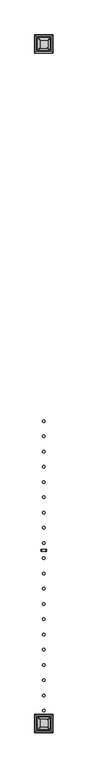
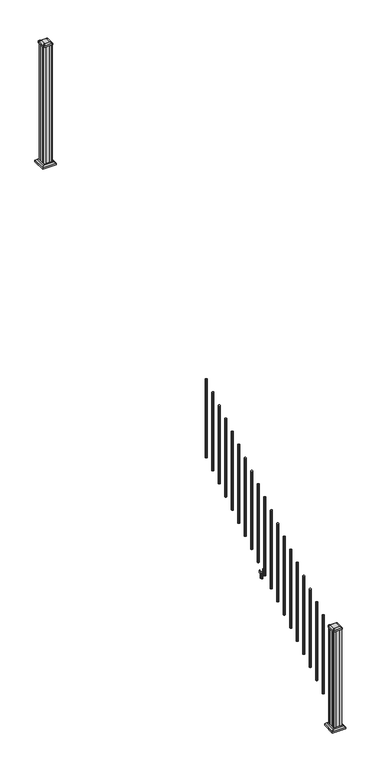
"""IFC4 building model written with IfcOpenShell, lengths in millimetres: railing geometry."""

from ifc_helpers import new_model, si_unit, point, frame, frame_2d, origin, place, context, project, spatial, polyline, circle_curve, trimmed, segment, composite_curve, outline, extrude, faceted_brep, source, transform, mapped, element, save
from ifc_brep_helpers import plane_surface, extruded_surface, advanced_brep


def railing_e30131d2(model_context):
    return source(origin(), model_context, "Body", "SolidModel", [
        extrude(outline(composite_curve([segment(trimmed(circle_curve(frame_2d((7597.5942659, -14647.7074681)), 9.525), [point((7607.1192659, -14647.7074681))], [point((7597.5942659, -14657.2324681))], False, "CARTESIAN"), True, "CONTINUOUS"), segment(trimmed(circle_curve(frame_2d((7597.5942659, -14647.7074681)), 9.525), [point((7597.5942659, -14657.2324681))], [point((7588.0692659, -14647.7074681))], False, "CARTESIAN"), True, "CONTINUOUS"), segment(trimmed(circle_curve(frame_2d((7597.5942659, -14647.7074681)), 9.525), [point((7588.0692659, -14647.7074681))], [point((7597.5942659, -14638.1824681))], False, "CARTESIAN"), True, "CONTINUOUS"), segment(trimmed(circle_curve(frame_2d((7597.5942659, -14647.7074681)), 9.525), [point((7597.5942659, -14638.1824681))], [point((7607.1192659, -14647.7074681))], False, "CARTESIAN"), True, "CONTINUOUS")], self_intersect=False)), frame((0.0, 0.0, 1645.9158781), z_axis=(0.0, 0.0, 1.0), x_axis=(1.0, 0.0, 0.0)), (0.0, 0.0, 1.0), 812.8041219),
        extrude(outline(composite_curve([segment(trimmed(circle_curve(frame_2d((7597.5942659, -14758.9594681)), 9.525), [point((7607.1192659, -14758.9594681))], [point((7597.5942659, -14768.4844681))], False, "CARTESIAN"), True, "CONTINUOUS"), segment(trimmed(circle_curve(frame_2d((7597.5942659, -14758.9594681)), 9.525), [point((7597.5942659, -14768.4844681))], [point((7588.0692659, -14758.9594681))], False, "CARTESIAN"), True, "CONTINUOUS"), segment(trimmed(circle_curve(frame_2d((7597.5942659, -14758.9594681)), 9.525), [point((7588.0692659, -14758.9594681))], [point((7597.5942659, -14749.4344681))], False, "CARTESIAN"), True, "CONTINUOUS"), segment(trimmed(circle_curve(frame_2d((7597.5942659, -14758.9594681)), 9.525), [point((7597.5942659, -14749.4344681))], [point((7607.1192659, -14758.9594681))], False, "CARTESIAN"), True, "CONTINUOUS")], self_intersect=False)), frame((0.0, 0.0, 1576.3833781), z_axis=(0.0, 0.0, 1.0), x_axis=(1.0, 0.0, 0.0)), (0.0, 0.0, 1.0), 812.8041219),
        extrude(outline(composite_curve([segment(trimmed(circle_curve(frame_2d((7597.5942659, -14870.2114681)), 9.525), [point((7607.1192659, -14870.2114681))], [point((7597.5942659, -14879.7364681))], False, "CARTESIAN"), True, "CONTINUOUS"), segment(trimmed(circle_curve(frame_2d((7597.5942659, -14870.2114681)), 9.525), [point((7597.5942659, -14879.7364681))], [point((7588.0692659, -14870.2114681))], False, "CARTESIAN"), True, "CONTINUOUS"), segment(trimmed(circle_curve(frame_2d((7597.5942659, -14870.2114681)), 9.525), [point((7588.0692659, -14870.2114681))], [point((7597.5942659, -14860.6864681))], False, "CARTESIAN"), True, "CONTINUOUS"), segment(trimmed(circle_curve(frame_2d((7597.5942659, -14870.2114681)), 9.525), [point((7597.5942659, -14860.6864681))], [point((7607.1192659, -14870.2114681))], False, "CARTESIAN"), True, "CONTINUOUS")], self_intersect=False)), frame((0.0, 0.0, 1506.8508781), z_axis=(0.0, 0.0, 1.0), x_axis=(1.0, 0.0, 0.0)), (0.0, 0.0, 1.0), 812.8041219),
        extrude(outline(composite_curve([segment(trimmed(circle_curve(frame_2d((7597.5942659, -14981.4634681)), 9.525), [point((7607.1192659, -14981.4634681))], [point((7597.5942659, -14990.9884681))], False, "CARTESIAN"), True, "CONTINUOUS"), segment(trimmed(circle_curve(frame_2d((7597.5942659, -14981.4634681)), 9.525), [point((7597.5942659, -14990.9884681))], [point((7588.0692659, -14981.4634681))], False, "CARTESIAN"), True, "CONTINUOUS"), segment(trimmed(circle_curve(frame_2d((7597.5942659, -14981.4634681)), 9.525), [point((7588.0692659, -14981.4634681))], [point((7597.5942659, -14971.9384681))], False, "CARTESIAN"), True, "CONTINUOUS"), segment(trimmed(circle_curve(frame_2d((7597.5942659, -14981.4634681)), 9.525), [point((7597.5942659, -14971.9384681))], [point((7607.1192659, -14981.4634681))], False, "CARTESIAN"), True, "CONTINUOUS")], self_intersect=False)), frame((0.0, 0.0, 1437.3183781), z_axis=(0.0, 0.0, 1.0), x_axis=(1.0, 0.0, 0.0)), (0.0, 0.0, 1.0), 812.8041219),
        extrude(outline(composite_curve([segment(trimmed(circle_curve(frame_2d((7597.5942659, -15092.7154681)), 9.525), [point((7607.1192659, -15092.7154681))], [point((7597.5942659, -15102.2404681))], False, "CARTESIAN"), True, "CONTINUOUS"), segment(trimmed(circle_curve(frame_2d((7597.5942659, -15092.7154681)), 9.525), [point((7597.5942659, -15102.2404681))], [point((7588.0692659, -15092.7154681))], False, "CARTESIAN"), True, "CONTINUOUS"), segment(trimmed(circle_curve(frame_2d((7597.5942659, -15092.7154681)), 9.525), [point((7588.0692659, -15092.7154681))], [point((7597.5942659, -15083.1904681))], False, "CARTESIAN"), True, "CONTINUOUS"), segment(trimmed(circle_curve(frame_2d((7597.5942659, -15092.7154681)), 9.525), [point((7597.5942659, -15083.1904681))], [point((7607.1192659, -15092.7154681))], False, "CARTESIAN"), True, "CONTINUOUS")], self_intersect=False)), frame((0.0, 0.0, 1367.7858781), z_axis=(0.0, 0.0, 1.0), x_axis=(1.0, 0.0, 0.0)), (0.0, 0.0, 1.0), 812.8041219),
        extrude(outline(composite_curve([segment(trimmed(circle_curve(frame_2d((7597.5942659, -15203.9674681)), 9.525), [point((7607.1192659, -15203.9674681))], [point((7597.5942659, -15213.4924681))], False, "CARTESIAN"), True, "CONTINUOUS"), segment(trimmed(circle_curve(frame_2d((7597.5942659, -15203.9674681)), 9.525), [point((7597.5942659, -15213.4924681))], [point((7588.0692659, -15203.9674681))], False, "CARTESIAN"), True, "CONTINUOUS"), segment(trimmed(circle_curve(frame_2d((7597.5942659, -15203.9674681)), 9.525), [point((7588.0692659, -15203.9674681))], [point((7597.5942659, -15194.4424681))], False, "CARTESIAN"), True, "CONTINUOUS"), segment(trimmed(circle_curve(frame_2d((7597.5942659, -15203.9674681)), 9.525), [point((7597.5942659, -15194.4424681))], [point((7607.1192659, -15203.9674681))], False, "CARTESIAN"), True, "CONTINUOUS")], self_intersect=False)), frame((0.0, 0.0, 1298.2533781), z_axis=(0.0, 0.0, 1.0), x_axis=(1.0, 0.0, 0.0)), (0.0, 0.0, 1.0), 812.8041219),
        extrude(outline(composite_curve([segment(trimmed(circle_curve(frame_2d((7597.5942659, -15315.2194681)), 9.525), [point((7607.1192659, -15315.2194681))], [point((7597.5942659, -15324.7444681))], False, "CARTESIAN"), True, "CONTINUOUS"), segment(trimmed(circle_curve(frame_2d((7597.5942659, -15315.2194681)), 9.525), [point((7597.5942659, -15324.7444681))], [point((7588.0692659, -15315.2194681))], False, "CARTESIAN"), True, "CONTINUOUS"), segment(trimmed(circle_curve(frame_2d((7597.5942659, -15315.2194681)), 9.525), [point((7588.0692659, -15315.2194681))], [point((7597.5942659, -15305.6944681))], False, "CARTESIAN"), True, "CONTINUOUS"), segment(trimmed(circle_curve(frame_2d((7597.5942659, -15315.2194681)), 9.525), [point((7597.5942659, -15305.6944681))], [point((7607.1192659, -15315.2194681))], False, "CARTESIAN"), True, "CONTINUOUS")], self_intersect=False)), frame((0.0, 0.0, 1228.7208781), z_axis=(0.0, 0.0, 1.0), x_axis=(1.0, 0.0, 0.0)), (0.0, 0.0, 1.0), 812.8041219),
        extrude(outline(composite_curve([segment(trimmed(circle_curve(frame_2d((7597.5942659, -15426.4714681)), 9.525), [point((7607.1192659, -15426.4714681))], [point((7597.5942659, -15435.9964681))], False, "CARTESIAN"), True, "CONTINUOUS"), segment(trimmed(circle_curve(frame_2d((7597.5942659, -15426.4714681)), 9.525), [point((7597.5942659, -15435.9964681))], [point((7588.0692659, -15426.4714681))], False, "CARTESIAN"), True, "CONTINUOUS"), segment(trimmed(circle_curve(frame_2d((7597.5942659, -15426.4714681)), 9.525), [point((7588.0692659, -15426.4714681))], [point((7597.5942659, -15416.9464681))], False, "CARTESIAN"), True, "CONTINUOUS"), segment(trimmed(circle_curve(frame_2d((7597.5942659, -15426.4714681)), 9.525), [point((7597.5942659, -15416.9464681))], [point((7607.1192659, -15426.4714681))], False, "CARTESIAN"), True, "CONTINUOUS")], self_intersect=False)), frame((0.0, 0.0, 1159.1883781), z_axis=(0.0, 0.0, 1.0), x_axis=(1.0, 0.0, 0.0)), (0.0, 0.0, 1.0), 812.8041219),
        extrude(outline(composite_curve([segment(trimmed(circle_curve(frame_2d((7597.5942659, -15537.7234681)), 9.525), [point((7607.1192659, -15537.7234681))], [point((7597.5942659, -15547.2484681))], False, "CARTESIAN"), True, "CONTINUOUS"), segment(trimmed(circle_curve(frame_2d((7597.5942659, -15537.7234681)), 9.525), [point((7597.5942659, -15547.2484681))], [point((7588.0692659, -15537.7234681))], False, "CARTESIAN"), True, "CONTINUOUS"), segment(trimmed(circle_curve(frame_2d((7597.5942659, -15537.7234681)), 9.525), [point((7588.0692659, -15537.7234681))], [point((7597.5942659, -15528.1984681))], False, "CARTESIAN"), True, "CONTINUOUS"), segment(trimmed(circle_curve(frame_2d((7597.5942659, -15537.7234681)), 9.525), [point((7597.5942659, -15528.1984681))], [point((7607.1192659, -15537.7234681))], False, "CARTESIAN"), True, "CONTINUOUS")], self_intersect=False)), frame((0.0, 0.0, 1089.6558781), z_axis=(0.0, 0.0, 1.0), x_axis=(1.0, 0.0, 0.0)), (0.0, 0.0, 1.0), 812.8041219),
        extrude(outline(polyline([(1041.2203979, 7579.4332671), (1040.4583969, 7578.671266), (1013.9680023, 7578.671266), (1013.2060013, 7579.4332671), (1013.2060013, 7589.4662661), (1012.4440012, 7590.2282662), (953.2620001, 7590.2282662), (952.5, 7590.9902663), (952.5, 7604.1982655), (953.262001, 7604.9602665), (1012.4440012, 7604.9602665), (1013.2060013, 7605.7222666), (1013.2060013, 7615.7552657), (1013.9680023, 7616.5172667), (1040.4583969, 7616.5172667), (1041.2203979, 7615.7552657), (1041.2203979, 7613.7232661), (1040.2043953, 7612.7072663), (1029.7686081, 7612.7072663), (1028.7526073, 7613.7232661), (1016.762001, 7613.7232661), (1016.0000019, 7612.9612669), (1016.0000019, 7582.2272658), (1016.762001, 7581.4652666), (1028.7526073, 7581.4652666), (1029.7686081, 7582.4812664), (1040.2043953, 7582.4812664), (1041.2203979, 7581.4652666), (1041.2203979, 7579.4332671)]), holes=[polyline([(1013.2060013, 7601.0232663), (1012.4440012, 7601.7852663), (956.4370031, 7601.7852663), (955.6750031, 7601.0232663), (955.6750031, 7594.1652636), (956.4370003, 7593.4032664), (1012.4440012, 7593.4032664), (1013.2060013, 7594.1652665), (1013.2060013, 7601.0232663)])]), frame((0.0, -15600.7154681, 0.0), z_axis=(0.0, 1.0, 0.0), x_axis=(0.0, 0.0, 1.0)), (0.0, 0.0, 1.0), 14.732),
        extrude(outline(composite_curve([segment(trimmed(circle_curve(frame_2d((7597.5942659, -15648.9754681)), 9.525), [point((7607.1192659, -15648.9754681))], [point((7597.5942659, -15658.5004681))], False, "CARTESIAN"), True, "CONTINUOUS"), segment(trimmed(circle_curve(frame_2d((7597.5942659, -15648.9754681)), 9.525), [point((7597.5942659, -15658.5004681))], [point((7588.0692659, -15648.9754681))], False, "CARTESIAN"), True, "CONTINUOUS"), segment(trimmed(circle_curve(frame_2d((7597.5942659, -15648.9754681)), 9.525), [point((7588.0692659, -15648.9754681))], [point((7597.5942659, -15639.4504681))], False, "CARTESIAN"), True, "CONTINUOUS"), segment(trimmed(circle_curve(frame_2d((7597.5942659, -15648.9754681)), 9.525), [point((7597.5942659, -15639.4504681))], [point((7607.1192659, -15648.9754681))], False, "CARTESIAN"), True, "CONTINUOUS")], self_intersect=False)), frame((0.0, 0.0, 1020.1233781), z_axis=(0.0, 0.0, 1.0), x_axis=(1.0, 0.0, 0.0)), (0.0, 0.0, 1.0), 812.8041219),
        extrude(outline(composite_curve([segment(trimmed(circle_curve(frame_2d((7597.5942659, -15760.2274681)), 9.525), [point((7607.1192659, -15760.2274681))], [point((7597.5942659, -15769.7524681))], False, "CARTESIAN"), True, "CONTINUOUS"), segment(trimmed(circle_curve(frame_2d((7597.5942659, -15760.2274681)), 9.525), [point((7597.5942659, -15769.7524681))], [point((7588.0692659, -15760.2274681))], False, "CARTESIAN"), True, "CONTINUOUS"), segment(trimmed(circle_curve(frame_2d((7597.5942659, -15760.2274681)), 9.525), [point((7588.0692659, -15760.2274681))], [point((7597.5942659, -15750.7024681))], False, "CARTESIAN"), True, "CONTINUOUS"), segment(trimmed(circle_curve(frame_2d((7597.5942659, -15760.2274681)), 9.525), [point((7597.5942659, -15750.7024681))], [point((7607.1192659, -15760.2274681))], False, "CARTESIAN"), True, "CONTINUOUS")], self_intersect=False)), frame((0.0, 0.0, 950.5908781), z_axis=(0.0, 0.0, 1.0), x_axis=(1.0, 0.0, 0.0)), (0.0, 0.0, 1.0), 812.8041219),
        extrude(outline(composite_curve([segment(trimmed(circle_curve(frame_2d((7597.5942659, -15871.4794681)), 9.525), [point((7607.1192659, -15871.4794681))], [point((7597.5942659, -15881.0044681))], False, "CARTESIAN"), True, "CONTINUOUS"), segment(trimmed(circle_curve(frame_2d((7597.5942659, -15871.4794681)), 9.525), [point((7597.5942659, -15881.0044681))], [point((7588.0692659, -15871.4794681))], False, "CARTESIAN"), True, "CONTINUOUS"), segment(trimmed(circle_curve(frame_2d((7597.5942659, -15871.4794681)), 9.525), [point((7588.0692659, -15871.4794681))], [point((7597.5942659, -15861.9544681))], False, "CARTESIAN"), True, "CONTINUOUS"), segment(trimmed(circle_curve(frame_2d((7597.5942659, -15871.4794681)), 9.525), [point((7597.5942659, -15861.9544681))], [point((7607.1192659, -15871.4794681))], False, "CARTESIAN"), True, "CONTINUOUS")], self_intersect=False)), frame((0.0, 0.0, 881.0583781), z_axis=(0.0, 0.0, 1.0), x_axis=(1.0, 0.0, 0.0)), (0.0, 0.0, 1.0), 812.8041219),
        extrude(outline(composite_curve([segment(trimmed(circle_curve(frame_2d((7597.5942659, -15982.7314681)), 9.525), [point((7607.1192659, -15982.7314681))], [point((7597.5942659, -15992.2564681))], False, "CARTESIAN"), True, "CONTINUOUS"), segment(trimmed(circle_curve(frame_2d((7597.5942659, -15982.7314681)), 9.525), [point((7597.5942659, -15992.2564681))], [point((7588.0692659, -15982.7314681))], False, "CARTESIAN"), True, "CONTINUOUS"), segment(trimmed(circle_curve(frame_2d((7597.5942659, -15982.7314681)), 9.525), [point((7588.0692659, -15982.7314681))], [point((7597.5942659, -15973.2064681))], False, "CARTESIAN"), True, "CONTINUOUS"), segment(trimmed(circle_curve(frame_2d((7597.5942659, -15982.7314681)), 9.525), [point((7597.5942659, -15973.2064681))], [point((7607.1192659, -15982.7314681))], False, "CARTESIAN"), True, "CONTINUOUS")], self_intersect=False)), frame((0.0, 0.0, 811.5258781), z_axis=(0.0, 0.0, 1.0), x_axis=(1.0, 0.0, 0.0)), (0.0, 0.0, 1.0), 812.8041219),
        extrude(outline(composite_curve([segment(trimmed(circle_curve(frame_2d((7597.5942659, -16093.9834681)), 9.525), [point((7607.1192659, -16093.9834681))], [point((7597.5942659, -16103.5084681))], False, "CARTESIAN"), True, "CONTINUOUS"), segment(trimmed(circle_curve(frame_2d((7597.5942659, -16093.9834681)), 9.525), [point((7597.5942659, -16103.5084681))], [point((7588.0692659, -16093.9834681))], False, "CARTESIAN"), True, "CONTINUOUS"), segment(trimmed(circle_curve(frame_2d((7597.5942659, -16093.9834681)), 9.525), [point((7588.0692659, -16093.9834681))], [point((7597.5942659, -16084.4584681))], False, "CARTESIAN"), True, "CONTINUOUS"), segment(trimmed(circle_curve(frame_2d((7597.5942659, -16093.9834681)), 9.525), [point((7597.5942659, -16084.4584681))], [point((7607.1192659, -16093.9834681))], False, "CARTESIAN"), True, "CONTINUOUS")], self_intersect=False)), frame((0.0, 0.0, 741.9933781), z_axis=(0.0, 0.0, 1.0), x_axis=(1.0, 0.0, 0.0)), (0.0, 0.0, 1.0), 812.8041219),
        extrude(outline(composite_curve([segment(trimmed(circle_curve(frame_2d((7597.5942659, -16205.2354681)), 9.525), [point((7607.1192659, -16205.2354681))], [point((7597.5942659, -16214.7604681))], False, "CARTESIAN"), True, "CONTINUOUS"), segment(trimmed(circle_curve(frame_2d((7597.5942659, -16205.2354681)), 9.525), [point((7597.5942659, -16214.7604681))], [point((7588.0692659, -16205.2354681))], False, "CARTESIAN"), True, "CONTINUOUS"), segment(trimmed(circle_curve(frame_2d((7597.5942659, -16205.2354681)), 9.525), [point((7588.0692659, -16205.2354681))], [point((7597.5942659, -16195.7104681))], False, "CARTESIAN"), True, "CONTINUOUS"), segment(trimmed(circle_curve(frame_2d((7597.5942659, -16205.2354681)), 9.525), [point((7597.5942659, -16195.7104681))], [point((7607.1192659, -16205.2354681))], False, "CARTESIAN"), True, "CONTINUOUS")], self_intersect=False)), frame((0.0, 0.0, 672.4608781), z_axis=(0.0, 0.0, 1.0), x_axis=(1.0, 0.0, 0.0)), (0.0, 0.0, 1.0), 812.8041219),
        extrude(outline(composite_curve([segment(trimmed(circle_curve(frame_2d((7597.5942659, -16316.4874681)), 9.525), [point((7607.1192659, -16316.4874681))], [point((7597.5942659, -16326.0124681))], False, "CARTESIAN"), True, "CONTINUOUS"), segment(trimmed(circle_curve(frame_2d((7597.5942659, -16316.4874681)), 9.525), [point((7597.5942659, -16326.0124681))], [point((7588.0692659, -16316.4874681))], False, "CARTESIAN"), True, "CONTINUOUS"), segment(trimmed(circle_curve(frame_2d((7597.5942659, -16316.4874681)), 9.525), [point((7588.0692659, -16316.4874681))], [point((7597.5942659, -16306.9624681))], False, "CARTESIAN"), True, "CONTINUOUS"), segment(trimmed(circle_curve(frame_2d((7597.5942659, -16316.4874681)), 9.525), [point((7597.5942659, -16306.9624681))], [point((7607.1192659, -16316.4874681))], False, "CARTESIAN"), True, "CONTINUOUS")], self_intersect=False)), frame((0.0, 0.0, 602.9283781), z_axis=(0.0, 0.0, 1.0), x_axis=(1.0, 0.0, 0.0)), (0.0, 0.0, 1.0), 812.8041219),
        extrude(outline(composite_curve([segment(trimmed(circle_curve(frame_2d((7597.5942659, -16427.7394681)), 9.525), [point((7607.1192659, -16427.7394681))], [point((7597.5942659, -16437.2644681))], False, "CARTESIAN"), True, "CONTINUOUS"), segment(trimmed(circle_curve(frame_2d((7597.5942659, -16427.7394681)), 9.525), [point((7597.5942659, -16437.2644681))], [point((7588.0692659, -16427.7394681))], False, "CARTESIAN"), True, "CONTINUOUS"), segment(trimmed(circle_curve(frame_2d((7597.5942659, -16427.7394681)), 9.525), [point((7588.0692659, -16427.7394681))], [point((7597.5942659, -16418.2144681))], False, "CARTESIAN"), True, "CONTINUOUS"), segment(trimmed(circle_curve(frame_2d((7597.5942659, -16427.7394681)), 9.525), [point((7597.5942659, -16418.2144681))], [point((7607.1192659, -16427.7394681))], False, "CARTESIAN"), True, "CONTINUOUS")], self_intersect=False)), frame((0.0, 0.0, 533.3958781), z_axis=(0.0, 0.0, 1.0), x_axis=(1.0, 0.0, 0.0)), (0.0, 0.0, 1.0), 812.8041219),
        extrude(outline(composite_curve([segment(trimmed(circle_curve(frame_2d((7597.5942659, -16538.9914681)), 9.525), [point((7607.1192659, -16538.9914681))], [point((7597.5942659, -16548.5164681))], False, "CARTESIAN"), True, "CONTINUOUS"), segment(trimmed(circle_curve(frame_2d((7597.5942659, -16538.9914681)), 9.525), [point((7597.5942659, -16548.5164681))], [point((7588.0692659, -16538.9914681))], False, "CARTESIAN"), True, "CONTINUOUS"), segment(trimmed(circle_curve(frame_2d((7597.5942659, -16538.9914681)), 9.525), [point((7588.0692659, -16538.9914681))], [point((7597.5942659, -16529.4664681))], False, "CARTESIAN"), True, "CONTINUOUS"), segment(trimmed(circle_curve(frame_2d((7597.5942659, -16538.9914681)), 9.525), [point((7597.5942659, -16529.4664681))], [point((7607.1192659, -16538.9914681))], False, "CARTESIAN"), True, "CONTINUOUS")], self_intersect=False)), frame((0.0, 0.0, 463.8633781), z_axis=(0.0, 0.0, 1.0), x_axis=(1.0, 0.0, 0.0)), (0.0, 0.0, 1.0), 812.8041219),
        extrude(outline(composite_curve([segment(trimmed(circle_curve(frame_2d((7597.5942659, -16650.2434681)), 9.525), [point((7607.1192659, -16650.2434681))], [point((7597.5942659, -16659.7684681))], False, "CARTESIAN"), True, "CONTINUOUS"), segment(trimmed(circle_curve(frame_2d((7597.5942659, -16650.2434681)), 9.525), [point((7597.5942659, -16659.7684681))], [point((7588.0692659, -16650.2434681))], False, "CARTESIAN"), True, "CONTINUOUS"), segment(trimmed(circle_curve(frame_2d((7597.5942659, -16650.2434681)), 9.525), [point((7588.0692659, -16650.2434681))], [point((7597.5942659, -16640.7184681))], False, "CARTESIAN"), True, "CONTINUOUS"), segment(trimmed(circle_curve(frame_2d((7597.5942659, -16650.2434681)), 9.525), [point((7597.5942659, -16640.7184681))], [point((7607.1192659, -16650.2434681))], False, "CARTESIAN"), True, "CONTINUOUS")], self_intersect=False)), frame((0.0, 0.0, 394.3308781), z_axis=(0.0, 0.0, 1.0), x_axis=(1.0, 0.0, 0.0)), (0.0, 0.0, 1.0), 812.8041219),
        extrude(outline(composite_curve([segment(trimmed(circle_curve(frame_2d((7597.5942659, -16761.4954681)), 9.525), [point((7607.1192659, -16761.4954681))], [point((7597.5942659, -16771.0204681))], False, "CARTESIAN"), True, "CONTINUOUS"), segment(trimmed(circle_curve(frame_2d((7597.5942659, -16761.4954681)), 9.525), [point((7597.5942659, -16771.0204681))], [point((7588.0692659, -16761.4954681))], False, "CARTESIAN"), True, "CONTINUOUS"), segment(trimmed(circle_curve(frame_2d((7597.5942659, -16761.4954681)), 9.525), [point((7588.0692659, -16761.4954681))], [point((7597.5942659, -16751.9704681))], False, "CARTESIAN"), True, "CONTINUOUS"), segment(trimmed(circle_curve(frame_2d((7597.5942659, -16761.4954681)), 9.525), [point((7597.5942659, -16751.9704681))], [point((7607.1192659, -16761.4954681))], False, "CARTESIAN"), True, "CONTINUOUS")], self_intersect=False)), frame((0.0, 0.0, 324.7983781), z_axis=(0.0, 0.0, 1.0), x_axis=(1.0, 0.0, 0.0)), (0.0, 0.0, 1.0), 812.8041219),
        extrude(outline(polyline([(7557.9067659, -11936.8924681), (7556.3192659, -11935.3049681), (7556.3192659, -11915.6834681), (7557.9067659, -11914.9214681), (7557.9067659, -11876.3134681), (7556.3192659, -11875.5514681), (7556.3192659, -11855.9299681), (7557.9067659, -11854.3424681), (7577.5282659, -11854.3424681), (7578.2902659, -11855.9299681), (7616.8982659, -11855.9299681), (7617.6602659, -11854.3424681), (7637.2817659, -11854.3424681), (7638.8692659, -11855.9299681), (7638.8692659, -11875.5514681), (7637.2817659, -11876.3134681), (7637.2817659, -11914.9214681), (7638.8692659, -11915.6834681), (7638.8692659, -11935.3049681), (7637.2817659, -11936.8924681), (7617.6602659, -11936.8924681), (7616.8982659, -11935.3049681), (7578.2902659, -11935.3049681), (7577.5282659, -11936.8924681), (7557.9067659, -11936.8924681)])), frame((0.0, 0.0, 3048.0), z_axis=(0.0, 0.0, 1.0), x_axis=(1.0, 0.0, 0.0)), (0.0, 0.0, 1.0), 1247.740513),
        faceted_brep([(7650.1802034, -11948.2034056, 3076.575), (7650.1802034, -11843.0315306, 3076.575), (7545.0083284, -11843.0315306, 3076.575), (7545.0083284, -11948.2034056, 3076.575), (7664.2196565, -11962.2428587, 3063.24), (7530.9688753, -11962.2428587, 3063.24), (7530.9688753, -11828.9920775, 3063.24), (7664.2196565, -11828.9920775, 3063.24)], [[[0, 1, 2, 3]], [[4, 5, 6, 7]], [[4, 0, 3, 5]], [[5, 3, 2, 6]], [[6, 2, 1, 7]], [[7, 1, 0, 4]]]),
        extrude(outline(polyline([(7664.2196565, -11962.2428587), (7530.9688753, -11962.2428587), (7530.9688753, -11828.9920775), (7664.2196565, -11828.9920775), (7664.2196565, -11962.2428587)])), frame((0.0, 0.0, 3048.0), z_axis=(0.0, 0.0, 1.0), x_axis=(1.0, 0.0, 0.0)), (0.0, 0.0, 1.0), 15.24),
        advanced_brep(
        [(7571.7973909, -11924.5893431, 4324.315513), (7623.3911409, -11924.5893431, 4324.315513), (7626.5661409, -11921.4143431, 4324.315513), (7626.5661409, -11869.8205931, 4324.315513), (7623.3911409, -11866.6455931, 4324.315513), (7571.7973909, -11866.6455931, 4324.315513), (7568.6223909, -11869.8205931, 4324.315513), (7568.6223909, -11921.4143431, 4324.315513), (7555.5255159, -11940.8612181, 4313.012513), (7552.3505159, -11937.6862181, 4313.012513), (7552.3505159, -11853.5487181, 4313.012513), (7555.5255159, -11850.3737181, 4313.012513), (7639.6630159, -11850.3737181, 4313.012513), (7642.8380159, -11853.5487181, 4313.012513), (7642.8380159, -11937.6862181, 4313.012513), (7639.6630159, -11940.8612181, 4313.012513)],
        [
            (0, 1),
            (1, 2, circle_curve(frame((7623.3911409, -11921.4143431, 4324.315513), z_axis=(0.0, 0.0, 1.0), x_axis=(0.0, 1.0, 0.0)), 3.175)),
            (2, 3),
            (3, 4, circle_curve(frame((7623.3911409, -11869.8205931, 4324.315513), z_axis=(0.0, 0.0, 1.0), x_axis=(0.0, 1.0, 0.0)), 3.175)),
            (4, 5),
            (5, 6, circle_curve(frame((7571.7973909, -11869.8205931, 4324.315513), z_axis=(0.0, 0.0, 1.0), x_axis=(0.0, 1.0, 0.0)), 3.175)),
            (6, 7),
            (7, 0, circle_curve(frame((7571.7973909, -11921.4143431, 4324.315513), z_axis=(0.0, 0.0, 1.0), x_axis=(0.0, 1.0, 0.0)), 3.175)),
            (8, 9, circle_curve(frame((7555.5255159, -11937.6862181, 4313.012513), z_axis=(0.0, 0.0, -1.0), x_axis=(0.0, 1.0, 0.0)), 3.175)),
            (9, 10),
            (10, 11, circle_curve(frame((7555.5255159, -11853.5487181, 4313.012513), z_axis=(0.0, 0.0, -1.0), x_axis=(0.0, 1.0, 0.0)), 3.175)),
            (11, 12),
            (12, 13, circle_curve(frame((7639.6630159, -11853.5487181, 4313.012513), z_axis=(0.0, 0.0, -1.0), x_axis=(0.0, 1.0, 0.0)), 3.175)),
            (13, 14),
            (14, 15, circle_curve(frame((7639.6630159, -11937.6862181, 4313.012513), z_axis=(0.0, 0.0, -1.0), x_axis=(0.0, 1.0, 0.0)), 3.175)),
            (15, 8),
            (8, 0),
            (7, 9),
            (6, 10),
            (5, 11),
            (4, 12),
            (3, 13),
            (2, 14),
            (1, 15),
        ],
        [
            plane_surface(frame((7597.5942659, -11895.6174681, 4324.315513), z_axis=(0.0, 0.0, 1.0), x_axis=(-1.0, 0.0, 0.0))),
            plane_surface(frame((7597.5942659, -11895.6174681, 4313.012513), z_axis=(0.0, 0.0, -1.0), x_axis=(-1.0, 0.0, 0.0))),
            extruded_surface(trimmed(circle_curve(frame((7571.7973909, -11921.4143431, 4324.315513), z_axis=(0.0, 0.0, -1.0), x_axis=(0.0, 1.0, 0.0)), 3.175), [point((7571.7973909, -11924.5893431, 4324.315513))], [point((7568.6223909, -11921.4143431, 4324.315513))], True, "CARTESIAN"), (-16.271875000000364, -16.271875000000364, -11.302999999999884), 25.63797263886657),
            plane_surface(frame((7552.3505159, -11895.6174681, 4313.012513), z_axis=(-0.5705009161540687, 0.0, 0.8212969649690472), x_axis=(0.0, 1.0, 0.0))),
            extruded_surface(trimmed(circle_curve(frame((7571.7973909, -11869.8205931, 4324.315513), z_axis=(0.0, 0.0, -1.0), x_axis=(0.0, 1.0, 0.0)), 3.175), [point((7568.6223909, -11869.8205931, 4324.315513))], [point((7571.7973909, -11866.6455931, 4324.315513))], True, "CARTESIAN"), (-16.271875000000364, 16.271874999998545, -11.302999999999884), 25.63797263886542),
            plane_surface(frame((7597.5942659, -11850.3737181, 4313.012513), z_axis=(0.0, 0.5705009161540291, 0.8212969649690747), x_axis=(1.0, 0.0, 0.0))),
            extruded_surface(trimmed(circle_curve(frame((7623.3911409, -11869.8205931, 4324.315513), z_axis=(0.0, 0.0, -1.0), x_axis=(0.0, 1.0, 0.0)), 3.175), [point((7623.3911409, -11866.6455931, 4324.315513))], [point((7626.5661409, -11869.8205931, 4324.315513))], True, "CARTESIAN"), (16.271874999999454, 16.271874999998545, -11.302999999999884), 25.63797263886484),
            plane_surface(frame((7642.8380159, -11895.6174681, 4313.012513), z_axis=(0.5705009161540233, 0.0, 0.8212969649690787), x_axis=(0.0, -1.0, 0.0))),
            extruded_surface(trimmed(circle_curve(frame((7623.3911409, -11921.4143431, 4324.315513), z_axis=(0.0, 0.0, -1.0), x_axis=(0.0, 1.0, 0.0)), 3.175), [point((7626.5661409, -11921.4143431, 4324.315513))], [point((7623.3911409, -11924.5893431, 4324.315513))], True, "CARTESIAN"), (16.271874999999454, -16.271875000000364, -11.302999999999884), 25.637972638865996),
            plane_surface(frame((7597.5942659, -11940.8612181, 4313.012513), z_axis=(0.0, -0.570500916154034, 0.8212969649690713), x_axis=(-1.0, 0.0, 0.0))),
        ],
        [
            (0, [[1, 2, 3, 4, 5, 6, 7, 8]]),
            (1, [[9, 10, 11, 12, 13, 14, 15, 16]]),
            (2, [[17, -8, 18, -9]]),
            (3, [[-18, -7, 19, -10]]),
            (4, [[-19, -6, 20, -11]]),
            (5, [[-20, -5, 21, -12]]),
            (6, [[-21, -4, 22, -13]]),
            (7, [[-22, -3, 23, -14]]),
            (8, [[-23, -2, 24, -15]]),
            (9, [[-24, -1, -17, -16]]),
        ],
    ),
        extrude(outline(composite_curve([segment(trimmed(circle_curve(frame_2d((7555.5255159, -11937.6862181)), 3.175), [point((7555.5255159, -11940.8612181))], [point((7552.3505159, -11937.6862181))], False, "CARTESIAN"), True, "CONTINUOUS"), segment(polyline([(7552.3505159, -11937.6862181), (7552.3505159, -11853.5487181)]), True, "CONTINUOUS"), segment(trimmed(circle_curve(frame_2d((7555.5255159, -11853.5487181)), 3.175), [point((7552.3505159, -11853.5487181))], [point((7555.5255159, -11850.3737181))], False, "CARTESIAN"), True, "CONTINUOUS"), segment(polyline([(7555.5255159, -11850.3737181), (7639.6630159, -11850.3737181)]), True, "CONTINUOUS"), segment(trimmed(circle_curve(frame_2d((7639.6630159, -11853.5487181)), 3.175), [point((7639.6630159, -11850.3737181))], [point((7642.8380159, -11853.5487181))], False, "CARTESIAN"), True, "CONTINUOUS"), segment(polyline([(7642.8380159, -11853.5487181), (7642.8380159, -11937.6862181)]), True, "CONTINUOUS"), segment(trimmed(circle_curve(frame_2d((7639.6630159, -11937.6862181)), 3.175), [point((7642.8380159, -11937.6862181))], [point((7639.6630159, -11940.8612181))], False, "CARTESIAN"), True, "CONTINUOUS"), segment(polyline([(7639.6630159, -11940.8612181), (7555.5255159, -11940.8612181)]), True, "CONTINUOUS")], self_intersect=False)), frame((0.0, 0.0, 4295.740513), z_axis=(0.0, 0.0, 1.0), x_axis=(1.0, 0.0, 0.0)), (0.0, 0.0, 1.0), 17.272),
        faceted_brep([(7650.1802034, -16907.8074056, 193.19875), (7650.1802034, -16802.6355306, 193.19875), (7545.0083284, -16802.6355306, 193.19875), (7545.0083284, -16907.8074056, 193.19875), (7664.2196565, -16921.8468587, 179.86375), (7530.9688753, -16921.8468587, 179.86375), (7530.9688753, -16788.5960775, 179.86375), (7664.2196565, -16788.5960775, 179.86375)], [[[0, 1, 2, 3]], [[4, 5, 6, 7]], [[4, 0, 3, 5]], [[5, 3, 2, 6]], [[6, 2, 1, 7]], [[7, 1, 0, 4]]]),
        extrude(outline(polyline([(7664.2196565, -16921.8468587), (7530.9688753, -16921.8468587), (7530.9688753, -16788.5960775), (7664.2196565, -16788.5960775), (7664.2196565, -16921.8468587)])), frame((0.0, 0.0, 164.62375), z_axis=(0.0, 0.0, 1.0), x_axis=(1.0, 0.0, 0.0)), (0.0, 0.0, 1.0), 15.24),
        advanced_brep(
        [(7571.7973909, -16884.1933431, 1224.563013), (7623.3911409, -16884.1933431, 1224.563013), (7626.5661409, -16881.0183431, 1224.563013), (7626.5661409, -16829.4245931, 1224.563013), (7623.3911409, -16826.2495931, 1224.563013), (7571.7973909, -16826.2495931, 1224.563013), (7568.6223909, -16829.4245931, 1224.563013), (7568.6223909, -16881.0183431, 1224.563013), (7555.5255159, -16900.4652181, 1213.260013), (7552.3505159, -16897.2902181, 1213.260013), (7552.3505159, -16813.1527181, 1213.260013), (7555.5255159, -16809.9777181, 1213.260013), (7639.6630159, -16809.9777181, 1213.260013), (7642.8380159, -16813.1527181, 1213.260013), (7642.8380159, -16897.2902181, 1213.260013), (7639.6630159, -16900.4652181, 1213.260013)],
        [
            (0, 1),
            (1, 2, circle_curve(frame((7623.3911409, -16881.0183431, 1224.563013), z_axis=(0.0, 0.0, 1.0), x_axis=(0.0, 1.0, 0.0)), 3.175)),
            (2, 3),
            (3, 4, circle_curve(frame((7623.3911409, -16829.4245931, 1224.563013), z_axis=(0.0, 0.0, 1.0), x_axis=(0.0, 1.0, 0.0)), 3.175)),
            (4, 5),
            (5, 6, circle_curve(frame((7571.7973909, -16829.4245931, 1224.563013), z_axis=(0.0, 0.0, 1.0), x_axis=(0.0, 1.0, 0.0)), 3.175)),
            (6, 7),
            (7, 0, circle_curve(frame((7571.7973909, -16881.0183431, 1224.563013), z_axis=(0.0, 0.0, 1.0), x_axis=(0.0, 1.0, 0.0)), 3.175)),
            (8, 9, circle_curve(frame((7555.5255159, -16897.2902181, 1213.260013), z_axis=(0.0, 0.0, -1.0), x_axis=(0.0, 1.0, 0.0)), 3.175)),
            (9, 10),
            (10, 11, circle_curve(frame((7555.5255159, -16813.1527181, 1213.260013), z_axis=(0.0, 0.0, -1.0), x_axis=(0.0, 1.0, 0.0)), 3.175)),
            (11, 12),
            (12, 13, circle_curve(frame((7639.6630159, -16813.1527181, 1213.260013), z_axis=(0.0, 0.0, -1.0), x_axis=(0.0, 1.0, 0.0)), 3.175)),
            (13, 14),
            (14, 15, circle_curve(frame((7639.6630159, -16897.2902181, 1213.260013), z_axis=(0.0, 0.0, -1.0), x_axis=(0.0, 1.0, 0.0)), 3.175)),
            (15, 8),
            (8, 0),
            (7, 9),
            (6, 10),
            (5, 11),
            (4, 12),
            (3, 13),
            (2, 14),
            (1, 15),
        ],
        [
            plane_surface(frame((7597.5942659, -16855.2214681, 1224.563013), z_axis=(0.0, 0.0, 1.0), x_axis=(-1.0, 0.0, 0.0))),
            plane_surface(frame((7597.5942659, -16855.2214681, 1213.260013), z_axis=(0.0, 0.0, -1.0), x_axis=(-1.0, 0.0, 0.0))),
            extruded_surface(trimmed(circle_curve(frame((7571.7973909, -16881.0183431, 1224.563013), z_axis=(0.0, 0.0, -1.0), x_axis=(0.0, 1.0, 0.0)), 3.175), [point((7571.7973909, -16884.1933431, 1224.563013))], [point((7568.6223909, -16881.0183431, 1224.563013))], True, "CARTESIAN"), (-16.271875000000364, -16.271874999998545, -11.302999999999884), 25.63797263886542),
            plane_surface(frame((7552.3505159, -16855.2214681, 1213.260013), z_axis=(-0.5705009161540778, 0.0, 0.8212969649690408), x_axis=(0.0, 1.0, 0.0))),
            extruded_surface(trimmed(circle_curve(frame((7571.7973909, -16829.4245931, 1224.563013), z_axis=(0.0, 0.0, -1.0), x_axis=(0.0, 1.0, 0.0)), 3.175), [point((7568.6223909, -16829.4245931, 1224.563013))], [point((7571.7973909, -16826.2495931, 1224.563013))], True, "CARTESIAN"), (-16.271875000000364, 16.271875000002183, -11.302999999999884), 25.637972638867726),
            plane_surface(frame((7597.5942659, -16809.9777181, 1213.260013), z_axis=(0.0, 0.5705009161540291, 0.8212969649690747), x_axis=(1.0, 0.0, 0.0))),
            extruded_surface(trimmed(circle_curve(frame((7623.3911409, -16829.4245931, 1224.563013), z_axis=(0.0, 0.0, -1.0), x_axis=(0.0, 1.0, 0.0)), 3.175), [point((7623.3911409, -16826.2495931, 1224.563013))], [point((7626.5661409, -16829.4245931, 1224.563013))], True, "CARTESIAN"), (16.271874999999454, 16.271875000002183, -11.302999999999884), 25.63797263886715),
            plane_surface(frame((7642.8380159, -16855.2214681, 1213.260013), z_axis=(0.5705009161540142, 0.0, 0.8212969649690851), x_axis=(0.0, -1.0, 0.0))),
            extruded_surface(trimmed(circle_curve(frame((7623.3911409, -16881.0183431, 1224.563013), z_axis=(0.0, 0.0, -1.0), x_axis=(0.0, 1.0, 0.0)), 3.175), [point((7626.5661409, -16881.0183431, 1224.563013))], [point((7623.3911409, -16884.1933431, 1224.563013))], True, "CARTESIAN"), (16.271874999999454, -16.271874999998545, -11.302999999999884), 25.63797263886484),
            plane_surface(frame((7597.5942659, -16900.4652181, 1213.260013), z_axis=(0.0, -0.570500916154034, 0.8212969649690713), x_axis=(-1.0, 0.0, 0.0))),
        ],
        [
            (0, [[1, 2, 3, 4, 5, 6, 7, 8]]),
            (1, [[9, 10, 11, 12, 13, 14, 15, 16]]),
            (2, [[17, -8, 18, -9]]),
            (3, [[-18, -7, 19, -10]]),
            (4, [[-19, -6, 20, -11]]),
            (5, [[-20, -5, 21, -12]]),
            (6, [[-21, -4, 22, -13]]),
            (7, [[-22, -3, 23, -14]]),
            (8, [[-23, -2, 24, -15]]),
            (9, [[-24, -1, -17, -16]]),
        ],
    ),
        extrude(outline(composite_curve([segment(trimmed(circle_curve(frame_2d((7555.5255159, -16897.2902181)), 3.175), [point((7555.5255159, -16900.4652181))], [point((7552.3505159, -16897.2902181))], False, "CARTESIAN"), True, "CONTINUOUS"), segment(polyline([(7552.3505159, -16897.2902181), (7552.3505159, -16813.1527181)]), True, "CONTINUOUS"), segment(trimmed(circle_curve(frame_2d((7555.5255159, -16813.1527181)), 3.175), [point((7552.3505159, -16813.1527181))], [point((7555.5255159, -16809.9777181))], False, "CARTESIAN"), True, "CONTINUOUS"), segment(polyline([(7555.5255159, -16809.9777181), (7639.6630159, -16809.9777181)]), True, "CONTINUOUS"), segment(trimmed(circle_curve(frame_2d((7639.6630159, -16813.1527181)), 3.175), [point((7639.6630159, -16809.9777181))], [point((7642.8380159, -16813.1527181))], False, "CARTESIAN"), True, "CONTINUOUS"), segment(polyline([(7642.8380159, -16813.1527181), (7642.8380159, -16897.2902181)]), True, "CONTINUOUS"), segment(trimmed(circle_curve(frame_2d((7639.6630159, -16897.2902181)), 3.175), [point((7642.8380159, -16897.2902181))], [point((7639.6630159, -16900.4652181))], False, "CARTESIAN"), True, "CONTINUOUS"), segment(polyline([(7639.6630159, -16900.4652181), (7555.5255159, -16900.4652181)]), True, "CONTINUOUS")], self_intersect=False)), frame((0.0, 0.0, 1195.988013), z_axis=(0.0, 0.0, 1.0), x_axis=(1.0, 0.0, 0.0)), (0.0, 0.0, 1.0), 17.272),
        extrude(outline(polyline([(7557.9067659, -16896.4964681), (7556.3192659, -16894.9089681), (7556.3192659, -16875.2874681), (7557.9067659, -16874.5254681), (7557.9067659, -16835.9174681), (7556.3192659, -16835.1554681), (7556.3192659, -16815.5339681), (7557.9067659, -16813.9464681), (7577.5282659, -16813.9464681), (7578.2902659, -16815.5339681), (7616.8982659, -16815.5339681), (7617.6602659, -16813.9464681), (7637.2817659, -16813.9464681), (7638.8692659, -16815.5339681), (7638.8692659, -16835.1554681), (7637.2817659, -16835.9174681), (7637.2817659, -16874.5254681), (7638.8692659, -16875.2874681), (7638.8692659, -16894.9089681), (7637.2817659, -16896.4964681), (7617.6602659, -16896.4964681), (7616.8982659, -16894.9089681), (7578.2902659, -16894.9089681), (7577.5282659, -16896.4964681), (7557.9067659, -16896.4964681)])), frame((0.0, 0.0, 164.62375), z_axis=(0.0, 0.0, 1.0), x_axis=(1.0, 0.0, 0.0)), (0.0, 0.0, 1.0), 1031.364263),
    ])


if __name__ == "__main__":
    model = new_model("IFC4")
    model_context = context("Model", 3, world=origin())
    ifc_project = project(units=[si_unit("LENGTHUNIT", "METRE", prefix="MILLI")], contexts=[model_context])
    site = spatial("IfcSite", under=ifc_project)
    building = spatial("IfcBuilding", under=site)
    placement = place(None, origin())
    railing_shape = railing_e30131d2(model_context)
    element("IfcRailing", 1, at=placement, inside=building, context=model_context, shape_type="MappedRepresentation", body=[
        mapped(railing_shape, transform((0.0, 0.0, 0.0), x_axis=(1.0, 0.0, 0.0), y_axis=(0.0, 1.0, 0.0), z_axis=(0.0, 0.0, 1.0))),
    ])
    save(model, "model.ifc")
